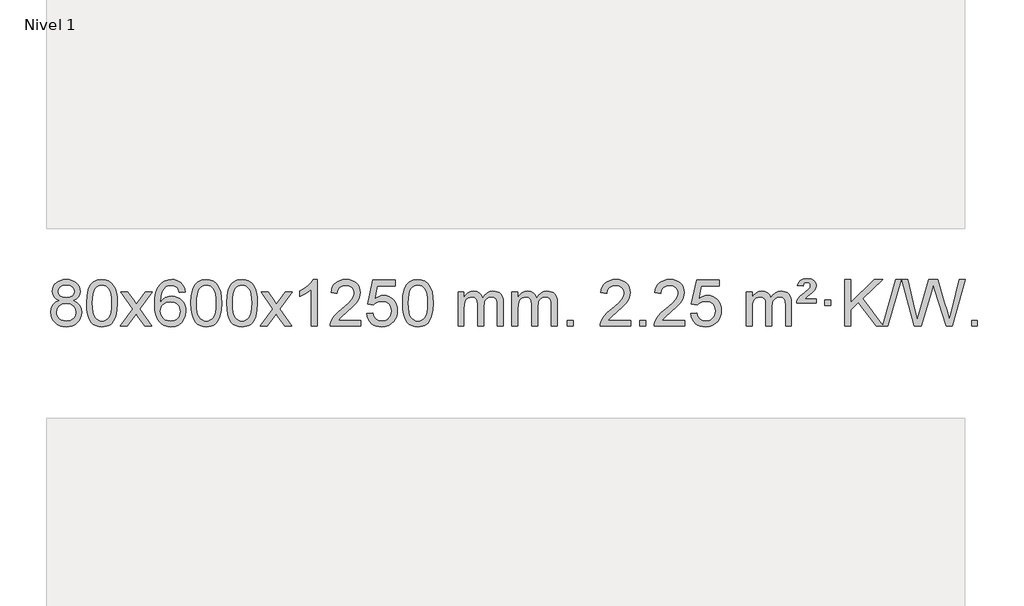
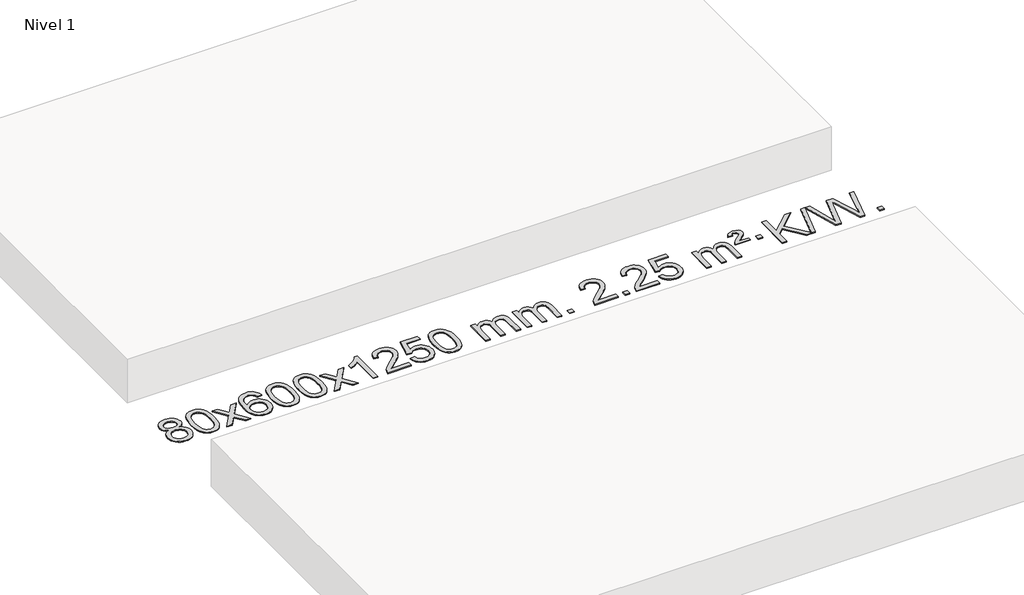
# One storey, part 6 of 7: 1 proxy.
"""IFC4 building model written with IfcOpenShell, lengths in millimetres."""

from ifc_helpers import new_model, si_unit, origin, origin_with_axes, place, context, project, spatial, polyline, outline, extrude, element, save

model = new_model("IFC4")

# Units and contexts
model_context = context("Model", 3, world=origin())
ifc_project = project(units=[si_unit("LENGTHUNIT", "METRE", prefix="MILLI")], contexts=[model_context])

# Site, building, storey
site = spatial("IfcSite", under=ifc_project)
building = spatial("IfcBuilding", under=site)
storey = spatial("IfcBuildingStorey", under=building, Name="Nivel 1", Elevation=0.0)

# Proxy
placement = place(None, origin())
element("IfcBuildingElementProxy", 1, Name="Texto de modelo 1", ObjectType="Texto de modelo 1", at=placement, inside=storey, context=model_context, shape_type="SweptSolid", body=[
    extrude(outline(polyline([(-13206.7901143, -6763.2990486), (-13233.6822881, -6750.0552967), (-13252.5546345, -6732.1026554), (-13263.7014589, -6709.8090065), (-13267.4170671, -6683.542232), (-13265.3937161, -6663.0573363), (-13259.3236632, -6644.2769604), (-13249.2069083, -6627.2011045), (-13235.0434515, -6611.8297684), (-13217.5138744, -6599.1255769), (-13197.2987588, -6590.0511543), (-13174.3981046, -6584.6065008), (-13148.8119118, -6582.7916163), (-13123.1030917, -6584.6494203), (-13100.0307593, -6590.2228326), (-13079.5949144, -6599.511853), (-13061.7955572, -6612.5164815), (-13047.374583, -6628.1882545), (-13037.0738872, -6645.4787082), (-13030.8934696, -6664.3878428), (-13028.8333305, -6684.9156581), (-13032.4998877, -6710.336304), (-13043.4995593, -6732.2498082), (-13061.9549728, -6750.0920849), (-13087.9887553, -6763.2990486), (-13057.074405, -6779.228339), (-13034.5722896, -6802.6869475), (-13020.8502912, -6832.5467028), (-13016.2762917, -6867.6794333), (-13018.5448973, -6892.7321972), (-13025.3507143, -6915.7002964), (-13036.6937424, -6936.583731), (-13052.5739819, -6955.382501), (-13072.1575668, -6970.9193839), (-13094.6106312, -6982.0171574), (-13119.9331752, -6988.6758215), (-13148.1251988, -6990.8953763), (-13176.3172223, -6988.6666245), (-13201.6397663, -6981.9803692), (-13224.0928308, -6970.8366105), (-13243.6764157, -6955.2353482), (-13259.5566551, -6936.3047539), (-13270.8996833, -6915.1729989), (-13277.7055002, -6891.8400834), (-13279.9741058, -6866.3060072), (-13275.2161654, -6829.8121133), (-13260.942344, -6799.7929425), (-13237.8884056, -6777.2785644), (-13206.7901143, -6763.2990486)]), holes=[polyline([(-13217.188912, -6685.01376), (-13212.7375399, -6706.9395269), (-13199.3834234, -6724.4507099), (-13177.5189702, -6735.9286281), (-13147.5365876, -6739.7546009), (-13118.2531808, -6735.9531536), (-13096.7198213, -6724.5488117), (-13083.4760695, -6707.62624), (-13079.0614855, -6687.2701029), (-13083.6232223, -6666.1414136), (-13097.3084325, -6648.6670189), (-13119.1360976, -6636.9315832), (-13148.1251988, -6633.0197713), (-13177.298241, -6636.8457441), (-13199.0891178, -6648.3236623), (-13212.6639635, -6665.1481323), (-13217.188912, -6685.01376)]), polyline([(-13229.7459508, -6864.5401736), (-13227.6490234, -6883.7558765), (-13221.3582413, -6902.3584427), (-13209.745433, -6918.5820387), (-13191.682427, -6930.6608309), (-13170.0509657, -6938.1656236), (-13147.7327913, -6940.6672212), (-13113.5442912, -6935.4065086), (-13099.6506145, -6928.830618), (-13087.8906534, -6919.6243711), (-13071.8509984, -6895.7243041), (-13066.5044468, -6866.1098035), (-13072.0226767, -6835.9925308), (-13088.5773665, -6811.5651663), (-13100.6561587, -6802.1228618), (-13114.8196155, -6795.3783586), (-13149.400523, -6789.982756), (-13183.1107765, -6795.3047822), (-13196.8481034, -6801.9573149), (-13208.5068969, -6811.2708607), (-13224.4361873, -6835.2322414), (-13229.7459508, -6864.5401736)])]), origin_with_axes(), (0.0, 0.0, 1.0), 10.0),
    extrude(outline(polyline([(-12972.326656, -6786.9415981), (-12968.6355733, -6722.6235626), (-12957.5623253, -6671.3285498), (-12939.2172764, -6632.2717446), (-12927.3592135, -6617.0383643), (-12913.7107915, -6604.6683323), (-12898.2260251, -6595.097269), (-12880.8589293, -6588.2607953), (-12840.4777489, -6582.7916163), (-12809.5266104, -6586.0289778), (-12781.8128334, -6595.7410625), (-12758.6362678, -6611.5477256), (-12741.296763, -6633.0688223), (-12728.200164, -6660.1204117), (-12717.7523154, -6692.5185527), (-12710.9097102, -6733.6600225), (-12708.6288419, -6786.9415981), (-12712.2831364, -6850.8917516), (-12723.2460198, -6902.0641372), (-12741.480704, -6941.1577305), (-12753.3111759, -6956.437096), (-12766.9504008, -6968.8715075), (-12782.4535613, -6978.5069501), (-12799.8758394, -6985.3894091), (-12840.4777489, -6990.8953763), (-12868.142475, -6988.5041433), (-12892.6679413, -6981.3304444), (-12914.054148, -6969.3742795), (-12932.3010949, -6952.6356488), (-12949.8122779, -6922.3773547), (-12962.3202657, -6884.6755815), (-12969.8250584, -6839.5303293), (-12972.326656, -6786.9415981)]), holes=[polyline([(-12922.0985009, -6786.8434963), (-12920.626973, -6830.5080234), (-12916.212389, -6865.8522861), (-12908.8547491, -6892.8762843), (-12898.5540532, -6911.5800181), (-12886.0951163, -6924.3056694), (-12872.2627533, -6933.3954204), (-12857.0569642, -6938.849271), (-12840.4777489, -6940.6672212), (-12823.8985337, -6938.8431396), (-12808.6927446, -6933.3708949), (-12794.8603815, -6924.2504871), (-12782.4014446, -6911.4819162), (-12772.1007488, -6892.7475256), (-12764.7431089, -6865.7296588), (-12760.3285249, -6830.4283156), (-12758.8569969, -6786.8434963), (-12760.279474, -6744.3347317), (-12764.5469051, -6709.6128027), (-12771.6592904, -6682.6777093), (-12781.6166297, -6663.5294515), (-12793.8671002, -6650.1814664), (-12807.8588787, -6640.6471914), (-12823.5919654, -6634.9266264), (-12841.0663601, -6633.0197713), (-12857.5597363, -6634.6997658), (-12872.508008, -6639.7397491), (-12885.9111753, -6648.1397213), (-12897.7692383, -6659.8996825), (-12908.4132907, -6680.7463289), (-12916.0161853, -6708.8525133), (-12920.577922, -6744.2182358), (-12922.0985009, -6786.8434963)])]), origin_with_axes(), (0.0, 0.0, 1.0), 10.0),
    extrude(outline(polyline([(-12683.5147643, -6984.6168569), (-12576.1913236, -6836.2868364), (-12677.236245, -6689.5264458), (-12616.8054959, -6689.5264458), (-12568.0488688, -6760.1597889), (-12545.289236, -6793.5144231), (-12525.5707611, -6766.2421045), (-12470.0451053, -6689.5264458), (-12409.6143562, -6689.5264458), (-12515.7605745, -6836.2868364), (-12413.5384308, -6984.6168569), (-12473.9691799, -6984.6168569), (-12535.4790495, -6895.4422612), (-12546.760764, -6879.1573516), (-12623.0840153, -6984.6168569), (-12683.5147643, -6984.6168569)])), origin_with_axes(), (0.0, 0.0, 1.0), 10.0),
    extrude(outline(polyline([(-12124.7265391, -6689.5264458), (-12174.9546942, -6695.8049652), (-12183.0480981, -6670.9116168), (-12193.9864561, -6653.9154687), (-12216.7706143, -6638.2436957), (-12244.312713, -6633.0197713), (-12267.660957, -6636.0609292), (-12289.6357748, -6645.1844027), (-12308.5081212, -6664.4001055), (-12323.9223768, -6690.850821), (-12334.3334372, -6728.2644199), (-12338.1961982, -6780.3687731), (-12318.0485276, -6756.8611137), (-12293.903206, -6740.2941611), (-12267.109134, -6730.4717119), (-12239.0152123, -6727.1975621), (-12214.8821534, -6729.4355109), (-12192.61303, -6736.1493573), (-12172.207842, -6747.3391013), (-12153.6665894, -6763.004743), (-12138.2584652, -6782.2143145), (-12127.2526622, -6804.0358482), (-12120.6491803, -6828.469344), (-12118.4480197, -6855.514802), (-12122.5928236, -6891.4813984), (-12135.027235, -6924.8237699), (-12154.7211845, -6953.1016326), (-12180.6446024, -6973.8747026), (-12211.6202664, -6986.6402078), (-12246.4709541, -6990.8953763), (-12276.4134828, -6988.0749476), (-12303.4558751, -6979.6136617), (-12327.5981311, -6965.5115186), (-12348.8402506, -6945.7685182), (-12366.1582955, -6919.5507947), (-12378.5283276, -6886.0244822), (-12385.9503469, -6845.1895807), (-12388.4243533, -6797.0460903), (-12385.677501, -6743.0716702), (-12377.4369443, -6697.006713), (-12363.7026832, -6658.8512188), (-12344.4747176, -6628.6051874), (-12323.6342026, -6608.56175), (-12299.4704868, -6594.2450091), (-12271.9835704, -6585.6549645), (-12241.1734533, -6582.7916163), (-12218.0398072, -6584.5635812), (-12197.1011903, -6589.879476), (-12178.3576027, -6598.7393008), (-12161.8090442, -6611.1430554), (-12147.9031048, -6626.6738069), (-12137.0873742, -6644.9146225), (-12129.3618523, -6665.8655021), (-12124.7265391, -6689.5264458)]), holes=[polyline([(-12338.1961982, -6854.7299871), (-12335.2899304, -6876.9868478), (-12326.5711271, -6898.2381644), (-12313.0330697, -6916.5096368), (-12295.6690396, -6929.8269651), (-12274.7120286, -6937.9571571), (-12250.3950287, -6940.6672212), (-12217.2488609, -6935.0508894), (-12203.3337244, -6928.0304746), (-12191.1905529, -6918.201894), (-12181.3405125, -6905.9636863), (-12174.3047693, -6891.7143904), (-12168.6761748, -6857.1825337), (-12174.2311929, -6824.036366), (-12181.1749656, -6810.4155351), (-12190.8962473, -6798.7628729), (-12203.0762071, -6789.4278673), (-12217.3960137, -6782.7600061), (-12252.4551679, -6777.4257172), (-12285.5522847, -6782.7600061), (-12313.2292735, -6798.7628729), (-12324.152303, -6810.2622509), (-12331.954467, -6823.4232293), (-12336.6357654, -6838.245808), (-12338.1961982, -6854.7299871)])]), origin_with_axes(), (0.0, 0.0, 1.0), 10.0),
    extrude(outline(polyline([(-12074.4983841, -6786.9415981), (-12070.8073014, -6722.6235626), (-12059.7340533, -6671.3285498), (-12041.3890045, -6632.2717446), (-12029.5309415, -6617.0383643), (-12015.8825195, -6604.6683323), (-12000.3977532, -6595.097269), (-11983.0306573, -6588.2607953), (-11942.649477, -6582.7916163), (-11911.6983385, -6586.0289778), (-11883.9845615, -6595.7410625), (-11860.8079958, -6611.5477256), (-11843.4684911, -6633.0688223), (-11830.3718921, -6660.1204117), (-11819.9240434, -6692.5185527), (-11813.0814383, -6733.6600225), (-11810.8005699, -6786.9415981), (-11814.4548644, -6850.8917516), (-11825.4177479, -6902.0641372), (-11843.6524321, -6941.1577305), (-11855.4829039, -6956.437096), (-11869.1221289, -6968.8715075), (-11884.6252893, -6978.5069501), (-11902.0475674, -6985.3894091), (-11942.649477, -6990.8953763), (-11970.314203, -6988.5041433), (-11994.8396694, -6981.3304444), (-12016.225876, -6969.3742795), (-12034.472823, -6952.6356488), (-12051.9840059, -6922.3773547), (-12064.4919938, -6884.6755815), (-12071.9967865, -6839.5303293), (-12074.4983841, -6786.9415981)]), holes=[polyline([(-12024.270229, -6786.8434963), (-12022.798701, -6830.5080234), (-12018.3841171, -6865.8522861), (-12011.0264772, -6892.8762843), (-12000.7257813, -6911.5800181), (-11988.2668444, -6924.3056694), (-11974.4344814, -6933.3954204), (-11959.2286922, -6938.849271), (-11942.649477, -6940.6672212), (-11926.0702617, -6938.8431396), (-11910.8644726, -6933.3708949), (-11897.0321096, -6924.2504871), (-11884.5731727, -6911.4819162), (-11874.2724768, -6892.7475256), (-11866.9148369, -6865.7296588), (-11862.500253, -6830.4283156), (-11861.028725, -6786.8434963), (-11862.451202, -6744.3347317), (-11866.7186332, -6709.6128027), (-11873.8310184, -6682.6777093), (-11883.7883578, -6663.5294515), (-11896.0388282, -6650.1814664), (-11910.0306067, -6640.6471914), (-11925.7636934, -6634.9266264), (-11943.2380882, -6633.0197713), (-11959.7314643, -6634.6997658), (-11974.679736, -6639.7397491), (-11988.0829034, -6648.1397213), (-11999.9409664, -6659.8996825), (-12010.5850188, -6680.7463289), (-12018.1879133, -6708.8525133), (-12022.7496501, -6744.2182358), (-12024.270229, -6786.8434963)])]), origin_with_axes(), (0.0, 0.0, 1.0), 10.0),
    extrude(outline(polyline([(-11766.8509342, -6786.9415981), (-11763.1598515, -6722.6235626), (-11752.0866035, -6671.3285498), (-11733.7415547, -6632.2717446), (-11721.8834917, -6617.0383643), (-11708.2350697, -6604.6683323), (-11692.7503033, -6595.097269), (-11675.3832075, -6588.2607953), (-11635.0020271, -6582.7916163), (-11604.0508886, -6586.0289778), (-11576.3371117, -6595.7410625), (-11553.160546, -6611.5477256), (-11535.8210412, -6633.0688223), (-11522.7244422, -6660.1204117), (-11512.2765936, -6692.5185527), (-11505.4339884, -6733.6600225), (-11503.1531201, -6786.9415981), (-11506.8074146, -6850.8917516), (-11517.770298, -6902.0641372), (-11536.0049822, -6941.1577305), (-11547.8354541, -6956.437096), (-11561.474679, -6968.8715075), (-11576.9778395, -6978.5069501), (-11594.4001176, -6985.3894091), (-11635.0020271, -6990.8953763), (-11662.6667532, -6988.5041433), (-11687.1922195, -6981.3304444), (-11708.5784262, -6969.3742795), (-11726.8253731, -6952.6356488), (-11744.3365561, -6922.3773547), (-11756.844544, -6884.6755815), (-11764.3493367, -6839.5303293), (-11766.8509342, -6786.9415981)]), holes=[polyline([(-11716.6227791, -6786.8434963), (-11715.1512512, -6830.5080234), (-11710.7366672, -6865.8522861), (-11703.3790273, -6892.8762843), (-11693.0783315, -6911.5800181), (-11680.6193946, -6924.3056694), (-11666.7870315, -6933.3954204), (-11651.5812424, -6938.849271), (-11635.0020271, -6940.6672212), (-11618.4228119, -6938.8431396), (-11603.2170228, -6933.3708949), (-11589.3846597, -6924.2504871), (-11576.9257228, -6911.4819162), (-11566.625027, -6892.7475256), (-11559.2673871, -6865.7296588), (-11554.8528031, -6830.4283156), (-11553.3812752, -6786.8434963), (-11554.8037522, -6744.3347317), (-11559.0711833, -6709.6128027), (-11566.1835686, -6682.6777093), (-11576.1409079, -6663.5294515), (-11588.3913784, -6650.1814664), (-11602.3831569, -6640.6471914), (-11618.1162436, -6634.9266264), (-11635.5906383, -6633.0197713), (-11652.0840145, -6634.6997658), (-11667.0322862, -6639.7397491), (-11680.4354536, -6648.1397213), (-11692.2935165, -6659.8996825), (-11702.9375689, -6680.7463289), (-11710.5404635, -6708.8525133), (-11715.1022002, -6744.2182358), (-11716.6227791, -6786.8434963)])]), origin_with_axes(), (0.0, 0.0, 1.0), 10.0),
    extrude(outline(polyline([(-11478.0390425, -6984.6168569), (-11370.7156018, -6836.2868364), (-11471.7605232, -6689.5264458), (-11411.3297741, -6689.5264458), (-11362.573147, -6760.1597889), (-11339.8135142, -6793.5144231), (-11320.0950393, -6766.2421045), (-11264.5693835, -6689.5264458), (-11204.1386344, -6689.5264458), (-11310.2848527, -6836.2868364), (-11208.062709, -6984.6168569), (-11268.4934581, -6984.6168569), (-11330.0033277, -6895.4422612), (-11341.2850422, -6879.1573516), (-11417.6082935, -6984.6168569), (-11478.0390425, -6984.6168569)])), origin_with_axes(), (0.0, 0.0, 1.0), 10.0),
    extrude(outline(polyline([(-10988.3145306, -6984.6168569), (-11038.5426856, -6984.6168569), (-11038.5426856, -6671.4757026), (-11059.5119594, -6688.4350626), (-11086.1220903, -6705.3698971), (-11138.9989958, -6730.7292293), (-11138.9989958, -6683.2479264), (-11099.5497832, -6661.7881434), (-11065.3735458, -6636.2571329), (-11038.432321, -6609.1074417), (-11020.6881461, -6582.7916163), (-10988.3145306, -6582.7916163), (-10988.3145306, -6984.6168569)])), origin_with_axes(), (0.0, 0.0, 1.0), 10.0),
    extrude(outline(polyline([(-10611.6033675, -6934.3887018), (-10611.6033675, -6984.6168569), (-10875.3011816, -6984.6168569), (-10874.1975357, -6966.9339956), (-10869.905579, -6949.9868984), (-10857.5202185, -6922.9230463), (-10839.3958989, -6896.6685346), (-10813.1781754, -6869.1877495), (-10776.5126032, -6838.4450775), (-10722.3113226, -6790.301587), (-10689.7905542, -6754.7641863), (-10673.53017, -6725.9222379), (-10668.110042, -6697.8651044), (-10673.2236017, -6672.7142386), (-10688.5642809, -6651.8062786), (-10712.1455168, -6637.7163982), (-10741.9807466, -6633.0197713), (-10773.3120298, -6637.6060336), (-10797.6535552, -6651.3648202), (-10813.3621164, -6673.2170107), (-10818.7945072, -6702.0834846), (-10869.0226623, -6695.8049652), (-10864.7031145, -6669.8754159), (-10856.8457682, -6647.2200164), (-10845.4506234, -6627.8387666), (-10830.5176801, -6611.7316666), (-10812.3902948, -6599.0703946), (-10791.411824, -6590.0266288), (-10767.5822678, -6584.6003694), (-10740.9016261, -6582.7916163), (-10713.9818611, -6584.8027045), (-10690.0235461, -6590.8359692), (-10669.0266813, -6600.8914104), (-10650.9912664, -6614.9690281), (-10636.5059129, -6632.02649), (-10626.1592318, -6651.0214636), (-10619.9512231, -6671.9539492), (-10617.8818869, -6694.8239465), (-10620.1137043, -6718.8466408), (-10626.8091566, -6742.4524022), (-10638.6917451, -6766.4628337), (-10656.4849709, -6791.6995386), (-10684.8486727, -6821.829074), (-10728.4426892, -6860.5179972), (-10786.2246879, -6908.8331659), (-10808.8862188, -6934.3887018), (-10611.6033675, -6934.3887018)])), origin_with_axes(), (0.0, 0.0, 1.0), 10.0),
    extrude(outline(polyline([(-10561.3752124, -6877.8820273), (-10511.1470573, -6871.603508), (-10501.925482, -6901.7575688), (-10485.8367761, -6923.3522419), (-10462.954516, -6936.3384764), (-10433.3522781, -6940.6672212), (-10414.2224144, -6939.1619707), (-10397.3488935, -6934.6462192), (-10382.7317156, -6927.1199667), (-10370.3708805, -6916.5832132), (-10360.5422999, -6903.5571249), (-10353.5218851, -6888.5628679), (-10347.9055534, -6852.6698479), (-10353.1662659, -6818.8737553), (-10359.7421566, -6804.9555532), (-10368.9484035, -6793.0239138), (-10380.8156635, -6783.4528505), (-10395.3745935, -6776.6163768), (-10432.5674632, -6771.1471978), (-10456.933514, -6773.3299643), (-10476.6642517, -6779.8782638), (-10492.4218638, -6789.9091796), (-10504.868538, -6802.5397947), (-10555.096693, -6796.2612753), (-10511.1470573, -6589.0701357), (-10316.5129564, -6589.0701357), (-10316.5129564, -6639.2982907), (-10470.5328851, -6639.2982907), (-10492.0171936, -6749.9571949), (-10474.2914128, -6737.2530033), (-10456.1364363, -6728.1785808), (-10437.5522642, -6722.7339272), (-10418.5388964, -6720.9190427), (-10394.0778094, -6723.1692543), (-10371.6094166, -6729.9198889), (-10351.1337179, -6741.1709466), (-10332.6507133, -6756.9224273), (-10317.349888, -6776.2117066), (-10306.420727, -6798.0761598), (-10299.8632305, -6822.5157871), (-10297.6773983, -6849.5305882), (-10299.645567, -6875.552108), (-10305.550073, -6899.7587433), (-10315.3909163, -6922.1504941), (-10329.1680971, -6942.7273604), (-10350.0392689, -6963.8008673), (-10374.393057, -6978.8533723), (-10402.2294613, -6987.8848753), (-10433.5484818, -6990.8953763), (-10459.4688341, -6988.9609301), (-10482.8814574, -6983.1575916), (-10503.7863518, -6973.4853608), (-10522.1835172, -6959.9442377), (-10537.4904739, -6943.2086726), (-10549.124742, -6923.9531159), (-10557.0863215, -6902.1775674), (-10561.3752124, -6877.8820273)])), origin_with_axes(), (0.0, 0.0, 1.0), 10.0),
    extrude(outline(polyline([(-10253.7277626, -6786.9415981), (-10250.0366799, -6722.6235626), (-10238.9634319, -6671.3285498), (-10220.618383, -6632.2717446), (-10208.76032, -6617.0383643), (-10195.111898, -6604.6683323), (-10179.6271317, -6595.097269), (-10162.2600359, -6588.2607953), (-10121.8788555, -6582.7916163), (-10090.927717, -6586.0289778), (-10063.21394, -6595.7410625), (-10040.0373743, -6611.5477256), (-10022.6978696, -6633.0688223), (-10009.6012706, -6660.1204117), (-9999.1534219, -6692.5185527), (-9992.3108168, -6733.6600225), (-9990.0299484, -6786.9415981), (-9993.6842429, -6850.8917516), (-10004.6471264, -6902.0641372), (-10022.8818106, -6941.1577305), (-10034.7122824, -6956.437096), (-10048.3515074, -6968.8715075), (-10063.8546678, -6978.5069501), (-10081.276946, -6985.3894091), (-10121.8788555, -6990.8953763), (-10149.5435816, -6988.5041433), (-10174.0690479, -6981.3304444), (-10195.4552546, -6969.3742795), (-10213.7022015, -6952.6356488), (-10231.2133845, -6922.3773547), (-10243.7213723, -6884.6755815), (-10251.226165, -6839.5303293), (-10253.7277626, -6786.9415981)]), holes=[polyline([(-10203.4996075, -6786.8434963), (-10202.0280795, -6830.5080234), (-10197.6134956, -6865.8522861), (-10190.2558557, -6892.8762843), (-10179.9551598, -6911.5800181), (-10167.4962229, -6924.3056694), (-10153.6638599, -6933.3954204), (-10138.4580708, -6938.849271), (-10121.8788555, -6940.6672212), (-10105.2996403, -6938.8431396), (-10090.0938511, -6933.3708949), (-10076.2614881, -6924.2504871), (-10063.8025512, -6911.4819162), (-10053.5018553, -6892.7475256), (-10046.1442154, -6865.7296588), (-10041.7296315, -6830.4283156), (-10040.2581035, -6786.8434963), (-10041.6805806, -6744.3347317), (-10045.9480117, -6709.6128027), (-10053.060397, -6682.6777093), (-10063.0177363, -6663.5294515), (-10075.2682067, -6650.1814664), (-10089.2599853, -6640.6471914), (-10104.9930719, -6634.9266264), (-10122.4674667, -6633.0197713), (-10138.9608428, -6634.6997658), (-10153.9091146, -6639.7397491), (-10167.3122819, -6648.1397213), (-10179.1703449, -6659.8996825), (-10189.8143973, -6680.7463289), (-10197.4172919, -6708.8525133), (-10201.9790286, -6744.2182358), (-10203.4996075, -6786.8434963)])]), origin_with_axes(), (0.0, 0.0, 1.0), 10.0),
    extrude(outline(polyline([(-9776.5602894, -6984.6168569), (-9776.5602894, -6689.5264458), (-9726.3321343, -6689.5264458), (-9726.3321343, -6738.0868692), (-9711.224447, -6715.7809575), (-9691.8002777, -6698.3065628), (-9668.7218139, -6687.0125855), (-9642.6512431, -6683.2479264), (-9614.716737, -6687.0861619), (-9592.3249862, -6698.6008684), (-9575.5986181, -6717.0317563), (-9564.6602602, -6741.6185363), (-9546.3519995, -6716.0813945), (-9525.4685649, -6697.8405789), (-9502.0099564, -6686.8960895), (-9475.9761739, -6683.2479264), (-9455.8683571, -6684.7654397), (-9438.2192184, -6689.3179793), (-9423.0287577, -6696.9055455), (-9410.296975, -6707.5281381), (-9400.2323367, -6721.3083845), (-9393.0433094, -6738.368912), (-9388.729893, -6758.7097207), (-9387.2920876, -6782.3308105), (-9387.2920876, -6984.6168569), (-9437.5202426, -6984.6168569), (-9437.5202426, -6803.9132208), (-9438.6852023, -6778.860457), (-9442.1800812, -6761.9746734), (-9448.7283807, -6750.410916), (-9459.0536021, -6741.3242307), (-9472.3341421, -6735.4381188), (-9487.7483977, -6733.4760815), (-9514.9594026, -6738.5038021), (-9537.1426869, -6753.5869639), (-9545.7480599, -6765.1568526), (-9551.8947549, -6779.7556365), (-9556.8121109, -6818.0398895), (-9556.8121109, -6984.6168569), (-9607.040266, -6984.6168569), (-9607.040266, -6798.3214145), (-9609.9465338, -6769.9209245), (-9618.6653371, -6749.6628893), (-9634.0060162, -6737.5227834), (-9656.7779118, -6733.4760815), (-9676.1285047, -6736.1738828), (-9693.9585187, -6744.2672867), (-9708.6737985, -6757.5600894), (-9718.6801888, -6775.8560873), (-9724.4191479, -6801.239945), (-9726.3321343, -6835.7963271), (-9726.3321343, -6984.6168569), (-9776.5602894, -6984.6168569)])), origin_with_axes(), (0.0, 0.0, 1.0), 10.0),
    extrude(outline(polyline([(-9311.9498549, -6984.6168569), (-9311.9498549, -6689.5264458), (-9261.7216999, -6689.5264458), (-9261.7216999, -6738.0868692), (-9246.6140126, -6715.7809575), (-9227.1898432, -6698.3065628), (-9204.1113794, -6687.0125855), (-9178.0408087, -6683.2479264), (-9150.1063025, -6687.0861619), (-9127.7145518, -6698.6008684), (-9110.9881837, -6717.0317563), (-9100.0498257, -6741.6185363), (-9081.7415651, -6716.0813945), (-9060.8581305, -6697.8405789), (-9037.3995219, -6686.8960895), (-9011.3657394, -6683.2479264), (-8991.2579227, -6684.7654397), (-8973.608784, -6689.3179793), (-8958.4183233, -6696.9055455), (-8945.6865405, -6707.5281381), (-8935.6219023, -6721.3083845), (-8928.432875, -6738.368912), (-8924.1194586, -6758.7097207), (-8922.6816531, -6782.3308105), (-8922.6816531, -6984.6168569), (-8972.9098082, -6984.6168569), (-8972.9098082, -6803.9132208), (-8974.0747678, -6778.860457), (-8977.5696468, -6761.9746734), (-8984.1179463, -6750.410916), (-8994.4431676, -6741.3242307), (-9007.7237077, -6735.4381188), (-9023.1379633, -6733.4760815), (-9050.3489682, -6738.5038021), (-9072.5322525, -6753.5869639), (-9081.1376255, -6765.1568526), (-9087.2843205, -6779.7556365), (-9092.2016765, -6818.0398895), (-9092.2016765, -6984.6168569), (-9142.4298316, -6984.6168569), (-9142.4298316, -6798.3214145), (-9145.3360993, -6769.9209245), (-9154.0549026, -6749.6628893), (-9169.3955818, -6737.5227834), (-9192.1674773, -6733.4760815), (-9211.5180703, -6736.1738828), (-9229.3480843, -6744.2672867), (-9244.0633641, -6757.5600894), (-9254.0697544, -6775.8560873), (-9259.8087135, -6801.239945), (-9261.7216999, -6835.7963271), (-9261.7216999, -6984.6168569), (-9311.9498549, -6984.6168569)])), origin_with_axes(), (0.0, 0.0, 1.0), 10.0),
    extrude(outline(polyline([(-8834.7823817, -6984.6168569), (-8834.7823817, -6934.3887018), (-8784.5542267, -6934.3887018), (-8784.5542267, -6984.6168569), (-8834.7823817, -6984.6168569)])), origin_with_axes(), (0.0, 0.0, 1.0), 10.0),
    extrude(outline(polyline([(-8288.5511953, -6934.3887018), (-8288.5511953, -6984.6168569), (-8552.2490094, -6984.6168569), (-8551.1453634, -6966.9339956), (-8546.8534068, -6949.9868984), (-8534.4680463, -6922.9230463), (-8516.3437267, -6896.6685346), (-8490.1260032, -6869.1877495), (-8453.460431, -6838.4450775), (-8399.2591504, -6790.301587), (-8366.738382, -6754.7641863), (-8350.4779978, -6725.9222379), (-8345.0578697, -6697.8651044), (-8350.1714295, -6672.7142386), (-8365.5121087, -6651.8062786), (-8389.0933446, -6637.7163982), (-8418.9285744, -6633.0197713), (-8450.2598576, -6637.6060336), (-8474.601383, -6651.3648202), (-8490.3099442, -6673.2170107), (-8495.742335, -6702.0834846), (-8545.97049, -6695.8049652), (-8541.6509423, -6669.8754159), (-8533.793596, -6647.2200164), (-8522.3984512, -6627.8387666), (-8507.4655079, -6611.7316666), (-8489.3381226, -6599.0703946), (-8468.3596518, -6590.0266288), (-8444.5300956, -6584.6003694), (-8417.8494539, -6582.7916163), (-8390.9296889, -6584.8027045), (-8366.9713739, -6590.8359692), (-8345.9745091, -6600.8914104), (-8327.9390942, -6614.9690281), (-8313.4537407, -6632.02649), (-8303.1070596, -6651.0214636), (-8296.8990509, -6671.9539492), (-8294.8297147, -6694.8239465), (-8297.0615321, -6718.8466408), (-8303.7569844, -6742.4524022), (-8315.6395729, -6766.4628337), (-8333.4327987, -6791.6995386), (-8361.7965005, -6821.829074), (-8405.390517, -6860.5179972), (-8463.1725157, -6908.8331659), (-8485.8340466, -6934.3887018), (-8288.5511953, -6934.3887018)])), origin_with_axes(), (0.0, 0.0, 1.0), 10.0),
    extrude(outline(polyline([(-8213.2089627, -6984.6168569), (-8213.2089627, -6934.3887018), (-8162.9808076, -6934.3887018), (-8162.9808076, -6984.6168569), (-8213.2089627, -6984.6168569)])), origin_with_axes(), (0.0, 0.0, 1.0), 10.0),
    extrude(outline(polyline([(-7823.9407608, -6934.3887018), (-7823.9407608, -6984.6168569), (-8087.638575, -6984.6168569), (-8086.534929, -6966.9339956), (-8082.2429724, -6949.9868984), (-8069.8576119, -6922.9230463), (-8051.7332923, -6896.6685346), (-8025.5155687, -6869.1877495), (-7988.8499966, -6838.4450775), (-7934.6487159, -6790.301587), (-7902.1279476, -6754.7641863), (-7885.8675634, -6725.9222379), (-7880.4474353, -6697.8651044), (-7885.560995, -6672.7142386), (-7900.9016742, -6651.8062786), (-7924.4829101, -6637.7163982), (-7954.3181399, -6633.0197713), (-7985.6494232, -6637.6060336), (-8009.9909485, -6651.3648202), (-8025.6995097, -6673.2170107), (-8031.1319005, -6702.0834846), (-8081.3600556, -6695.8049652), (-8077.0405078, -6669.8754159), (-8069.1831616, -6647.2200164), (-8057.7880168, -6627.8387666), (-8042.8550734, -6611.7316666), (-8024.7276881, -6599.0703946), (-8003.7492174, -6590.0266288), (-7979.9196611, -6584.6003694), (-7953.2390194, -6582.7916163), (-7926.3192544, -6584.8027045), (-7902.3609395, -6590.8359692), (-7881.3640746, -6600.8914104), (-7863.3286598, -6614.9690281), (-7848.8433062, -6632.02649), (-7838.4966251, -6651.0214636), (-7832.2886165, -6671.9539492), (-7830.2192802, -6694.8239465), (-7832.4510977, -6718.8466408), (-7839.14655, -6742.4524022), (-7851.0291384, -6766.4628337), (-7868.8223643, -6791.6995386), (-7897.1860661, -6821.829074), (-7940.7800825, -6860.5179972), (-7998.5620812, -6908.8331659), (-8021.2236121, -6934.3887018), (-7823.9407608, -6934.3887018)])), origin_with_axes(), (0.0, 0.0, 1.0), 10.0),
    extrude(outline(polyline([(-7773.7126058, -6877.8820273), (-7723.4844507, -6871.603508), (-7714.2628754, -6901.7575688), (-7698.1741694, -6923.3522419), (-7675.2919093, -6936.3384764), (-7645.6896715, -6940.6672212), (-7626.5598077, -6939.1619707), (-7609.6862869, -6934.6462192), (-7595.0691089, -6927.1199667), (-7582.7082739, -6916.5832132), (-7572.8796932, -6903.5571249), (-7565.8592785, -6888.5628679), (-7560.2429467, -6852.6698479), (-7565.5036592, -6818.8737553), (-7572.0795499, -6804.9555532), (-7581.2857968, -6793.0239138), (-7593.1530569, -6783.4528505), (-7607.7119868, -6776.6163768), (-7644.9048565, -6771.1471978), (-7669.2709073, -6773.3299643), (-7689.001645, -6779.8782638), (-7704.7592571, -6789.9091796), (-7717.2059313, -6802.5397947), (-7767.4340864, -6796.2612753), (-7723.4844507, -6589.0701357), (-7528.8503498, -6589.0701357), (-7528.8503498, -6639.2982907), (-7682.8702784, -6639.2982907), (-7704.3545869, -6749.9571949), (-7686.6288061, -6737.2530033), (-7668.4738297, -6728.1785808), (-7649.8896576, -6722.7339272), (-7630.8762898, -6720.9190427), (-7606.4152028, -6723.1692543), (-7583.9468099, -6729.9198889), (-7563.4711112, -6741.1709466), (-7544.9881066, -6756.9224273), (-7529.6872813, -6776.2117066), (-7518.7581204, -6798.0761598), (-7512.2006238, -6822.5157871), (-7510.0147916, -6849.5305882), (-7511.9829603, -6875.552108), (-7517.8874663, -6899.7587433), (-7527.7283097, -6922.1504941), (-7541.5054904, -6942.7273604), (-7562.3766623, -6963.8008673), (-7586.7304504, -6978.8533723), (-7614.5668547, -6987.8848753), (-7645.8858752, -6990.8953763), (-7671.8062274, -6988.9609301), (-7695.2188507, -6983.1575916), (-7716.1237451, -6973.4853608), (-7734.5209106, -6959.9442377), (-7749.8278672, -6943.2086726), (-7761.4621353, -6923.9531159), (-7769.4237148, -6902.1775674), (-7773.7126058, -6877.8820273)])), origin_with_axes(), (0.0, 0.0, 1.0), 10.0),
    extrude(outline(polyline([(-7296.5451326, -6984.6168569), (-7296.5451326, -6689.5264458), (-7246.3169775, -6689.5264458), (-7246.3169775, -6738.0868692), (-7231.2092902, -6715.7809575), (-7211.7851209, -6698.3065628), (-7188.706657, -6687.0125855), (-7162.6360863, -6683.2479264), (-7134.7015802, -6687.0861619), (-7112.3098294, -6698.6008684), (-7095.5834613, -6717.0317563), (-7084.6451033, -6741.6185363), (-7066.3368427, -6716.0813945), (-7045.4534081, -6697.8405789), (-7021.9947996, -6686.8960895), (-6995.961017, -6683.2479264), (-6975.8532003, -6684.7654397), (-6958.2040616, -6689.3179793), (-6943.0136009, -6696.9055455), (-6930.2818182, -6707.5281381), (-6920.2171799, -6721.3083845), (-6913.0281526, -6738.368912), (-6908.7147362, -6758.7097207), (-6907.2769307, -6782.3308105), (-6907.2769307, -6984.6168569), (-6957.5050858, -6984.6168569), (-6957.5050858, -6803.9132208), (-6958.6700455, -6778.860457), (-6962.1649244, -6761.9746734), (-6968.7132239, -6750.410916), (-6979.0384453, -6741.3242307), (-6992.3189853, -6735.4381188), (-7007.7332409, -6733.4760815), (-7034.9442458, -6738.5038021), (-7057.1275301, -6753.5869639), (-7065.7329031, -6765.1568526), (-7071.8795981, -6779.7556365), (-7076.7969541, -6818.0398895), (-7076.7969541, -6984.6168569), (-7127.0251092, -6984.6168569), (-7127.0251092, -6798.3214145), (-7129.9313769, -6769.9209245), (-7138.6501802, -6749.6628893), (-7153.9908594, -6737.5227834), (-7176.7627549, -6733.4760815), (-7196.1133479, -6736.1738828), (-7213.9433619, -6744.2672867), (-7228.6586417, -6757.5600894), (-7238.665032, -6775.8560873), (-7244.4039911, -6801.239945), (-7246.3169775, -6835.7963271), (-7246.3169775, -6984.6168569), (-7296.5451326, -6984.6168569)])), origin_with_axes(), (0.0, 0.0, 1.0), 10.0),
    extrude(outline(polyline([(-6863.327295, -6783.7042366), (-6859.5013223, -6767.8853108), (-6851.1626637, -6752.0173341), (-6829.6538298, -6726.878731), (-6797.6971471, -6699.1404286), (-6753.5513077, -6661.7636179), (-6746.414397, -6650.2366487), (-6744.0354267, -6638.4153739), (-6745.9238876, -6626.324319), (-6751.5892704, -6616.538658), (-6760.9579985, -6610.0639348), (-6773.9564957, -6607.9056938), (-6786.3909071, -6609.5243746), (-6795.2446005, -6614.3804169), (-6801.6702727, -6623.8472469), (-6806.8206206, -6639.2982907), (-6857.0487757, -6633.0197713), (-6846.2085195, -6607.8075919), (-6829.5802534, -6590.247358), (-6805.8150765, -6579.9466622), (-6773.5640882, -6576.5130969), (-6737.7814328, -6580.645638), (-6713.0352373, -6593.0432612), (-6698.6142631, -6611.3760473), (-6693.8072717, -6633.3140769), (-6697.9030245, -6656.2208625), (-6710.1902832, -6677.8523238), (-6730.7180985, -6697.6689006), (-6767.187467, -6725.7260341), (-6792.7920538, -6752.3116396), (-6693.8072717, -6752.3116396), (-6693.8072717, -6783.7042366), (-6863.327295, -6783.7042366)])), origin_with_axes(), (0.0, 0.0, 1.0), 10.0),
    extrude(outline(polyline([(-6618.4650391, -6808.8183141), (-6618.4650391, -6758.590159), (-6568.236884, -6758.590159), (-6568.236884, -6808.8183141), (-6618.4650391, -6808.8183141)])), origin_with_axes(), (0.0, 0.0, 1.0), 10.0),
    extrude(outline(polyline([(-6177.595256, -6984.6168569), (-6331.0265735, -6781.938403), (-6398.7168606, -6846.4894304), (-6398.7168606, -6984.6168569), (-6448.9450157, -6984.6168569), (-6448.9450157, -6582.7916163), (-6398.7168606, -6582.7916163), (-6398.7168606, -6779.4858564), (-6192.7029433, -6582.7916163), (-6122.4620077, -6582.7916163), (-6295.4155964, -6747.9951576), (-6120.7619865, -6978.5723371), (-6009.4486588, -6582.7916163), (-5964.125597, -6582.7916163), (-6077.1389459, -6984.6168569), (-6116.1834883, -6984.6168569), (-6122.4620077, -6984.6168569), (-6177.595256, -6984.6168569)])), origin_with_axes(), (0.0, 0.0, 1.0), 10.0),
    extrude(outline(polyline([(-5849.6407201, -6984.6168569), (-5959.2205037, -6582.7916163), (-5907.4227188, -6582.7916163), (-5843.85271, -6846.8818379), (-5824.2323369, -6928.404488), (-5803.2385377, -6856.299617), (-5723.5798231, -6582.7916163), (-5648.9243035, -6582.7916163), (-5591.0442029, -6781.0554862), (-5566.2489564, -6854.6318852), (-5547.977484, -6928.404488), (-5528.9457221, -6849.2362826), (-5464.7871022, -6582.7916163), (-5412.9893173, -6582.7916163), (-5522.6672028, -6984.6168569), (-5576.3289231, -6984.6168569), (-5672.6649549, -6674.6149623), (-5686.1049105, -6631.3520396), (-5701.2125977, -6683.4441302), (-5789.0137673, -6984.6168569), (-5849.6407201, -6984.6168569)])), origin_with_axes(), (0.0, 0.0, 1.0), 10.0),
    extrude(outline(polyline([(-5356.4826428, -6984.6168569), (-5356.4826428, -6934.3887018), (-5306.2544877, -6934.3887018), (-5306.2544877, -6984.6168569), (-5356.4826428, -6984.6168569)])), origin_with_axes(), (0.0, 0.0, 1.0), 10.0),
])

save(model, "model.ifc")
